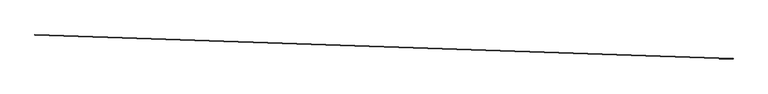
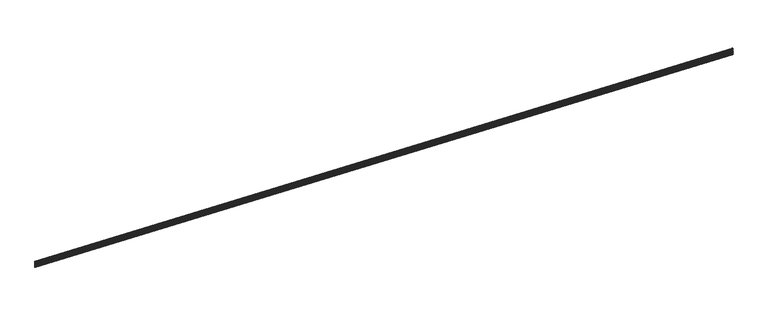
"""IFC4 building model written with IfcOpenShell, lengths in millimetres: proxy geometry."""

from ifc_helpers import new_model, si_unit, frame, origin, place, context, project, spatial, polyline, outline, extrude, source, transform, mapped, element, save


def generic_models_959c5ac5(model_context):
    return source(origin(), model_context, "Body", "SweptSolid", [
        extrude(outline(polyline([(-3.1749993, 0.0), (0.0, 0.0), (0.0, 12.7), (5.4236225, 15.2290767), (5.4236225, 19.6959233), (-1e-07, 22.225), (-1e-07, 31.75), (3.1749999, 31.75), (3.1749999, 24.247698), (9.2139906, 21.4316705), (9.2139906, 13.4933295), (3.175, 10.6773019), (3.175, -3.175), (1e-07, -3.175), (1e-07, -34.13125), (9.5250002, -34.13125), (9.5250002, -37.30625), (3e-07, -37.30625), (3e-07, -59.5312499), (9.5250003, -59.5312499), (9.5250003, -62.70625), (4e-07, -62.70625), (4e-07, -84.9312499), (9.5250004, -84.9312499), (9.5250004, -88.10625), (6e-07, -88.10625), (6e-07, -113.50625), (8.8104391, -113.50625), (8.8104391, -123.03125), (4.9129911, -123.03125), (4.9129911, -116.68125), (7e-07, -116.68125), (7e-07, -133.35), (-3.1749993, -133.35), (-3.1749993, 0.0)])), frame((34377.09634, -14812.3976044, 3477.5824341), z_axis=(-0.9994149475908112, 0.03420179135741461, 0.0), x_axis=(-0.03420179135741461, -0.9994149475908112, 0.0)), (0.0, 0.0, 1.0), 17068.8),
    ])


if __name__ == "__main__":
    model = new_model("IFC4")
    model_context = context("Model", 3, world=origin())
    ifc_project = project(units=[si_unit("LENGTHUNIT", "METRE", prefix="MILLI")], contexts=[model_context])
    site = spatial("IfcSite", under=ifc_project)
    building = spatial("IfcBuilding", under=site)
    placement = place(None, origin())
    generic_models_shape = generic_models_959c5ac5(model_context)
    element("IfcBuildingElementProxy", 1, Name="Generic Models", at=placement, inside=building, context=model_context, shape_type="MappedRepresentation", body=[
        mapped(generic_models_shape, transform((0.0, 0.0, 0.0), x_axis=(1.0, 0.0, 0.0), y_axis=(0.0, 1.0, 0.0), z_axis=(0.0, 0.0, 1.0))),
    ])
    save(model, "model.ifc")
